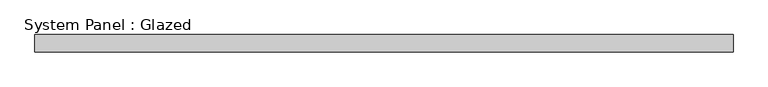
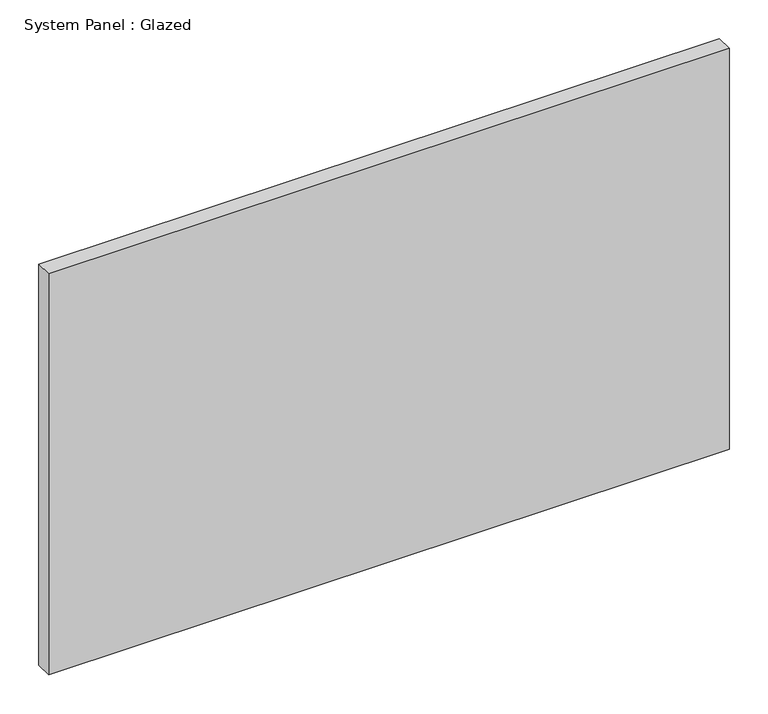
"""IFC4 building model written with IfcOpenShell, lengths in millimetres: plate geometry, System Panel : Glazed."""

from ifc_helpers import new_model, si_unit, origin, origin_with_axes, place, context, project, spatial, polyline, outline, extrude, source, transform, mapped, element, save


def system_panel_glazed_b76f6322(model_context):
    return source(origin(), model_context, "Body", "SweptSolid", [
        extrude(outline(polyline([(508.0, -44.45), (-508.0, -44.45), (-508.0, -19.05), (508.0, -19.05), (508.0, -44.45)])), origin_with_axes(), (0.0, 0.0, 1.0), 632.5809524),
    ])


if __name__ == "__main__":
    model = new_model("IFC4")
    model_context = context("Model", 3, world=origin())
    ifc_project = project(units=[si_unit("LENGTHUNIT", "METRE", prefix="MILLI")], contexts=[model_context])
    site = spatial("IfcSite", under=ifc_project)
    building = spatial("IfcBuilding", under=site)
    placement = place(None, origin())
    system_panel_glazed_shape = system_panel_glazed_b76f6322(model_context)
    element("IfcPlate", 1, ObjectType="System Panel : Glazed", at=placement, inside=building, context=model_context, shape_type="MappedRepresentation", body=[
        mapped(system_panel_glazed_shape, transform((0.0, 0.0, 0.0), x_axis=(1.0, 0.0, 0.0), y_axis=(0.0, 1.0, 0.0), z_axis=(0.0, 0.0, 1.0))),
    ])
    save(model, "model.ifc")
